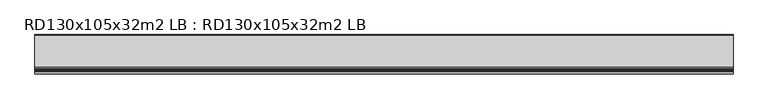
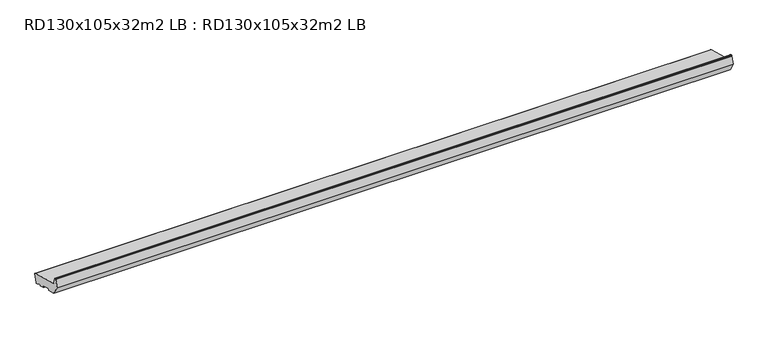
"""IFC4 building model written with IfcOpenShell, lengths in millimetres: proxy geometry, RD130x105x32m2 LB : RD130x105x32m2 LB."""

from ifc_helpers import new_model, si_unit, point, frame, frame_2d, origin, place, context, project, spatial, polyline, circle_curve, trimmed, segment, composite_curve, outline, extrude, source, transform, mapped, element, save


def rd130x105x32m2_lb_rd130x105x32m2_lb_2d42352c(model_context):
    return source(origin(), model_context, "Body", "SweptSolid", [
        extrude(outline(composite_curve([segment(trimmed(circle_curve(frame_2d((25.23738, 11.7764571)), 3.0), [point((28.1351575, 11.0))], [point((24.4609229, 8.8786797))], False, "CARTESIAN"), True, "CONTINUOUS"), segment(polyline([(24.4609229, 8.8786797), (21.7441453, 9.606638), (7.5759156, 18.1940842)]), True, "CONTINUOUS"), segment(trimmed(circle_curve(frame_2d((7.0575856, 17.3389035)), 1.0), [point((7.5759156, 18.1940842))], [point((6.0916598, 17.5977226))], True, "CARTESIAN"), True, "CONTINUOUS"), segment(polyline([(6.0916598, 17.5977226), (5.1424063, 14.0550606)]), True, "CONTINUOUS"), segment(trimmed(circle_curve(frame_2d((4.1764805, 14.3138796)), 1.0), [point((5.1424063, 14.0550606))], [point((3.9176615, 13.3479538))], False, "CARTESIAN"), True, "CONTINUOUS"), segment(polyline([(3.9176615, 13.3479538), (-13.4690034, 18.0066966)]), True, "CONTINUOUS"), segment(trimmed(circle_curve(frame_2d((-13.2101844, 18.9726224)), 1.0), [point((-13.4690034, 18.0066966))], [point((-14.1761102, 19.2314415))], False, "CARTESIAN"), True, "CONTINUOUS"), segment(polyline([(-14.1761102, 19.2314415), (-13.140834, 23.0951448)]), True, "CONTINUOUS"), segment(trimmed(circle_curve(frame_2d((-14.1067598, 23.3539638)), 1.0), [point((-13.140834, 23.0951448))], [point((-13.8479408, 24.3198896))], True, "CARTESIAN"), True, "CONTINUOUS"), segment(polyline([(-13.8479408, 24.3198896), (-41.8597898, 31.8256419)]), True, "CONTINUOUS"), segment(trimmed(circle_curve(frame_2d((-42.1186088, 30.8597161)), 1.0), [point((-41.8597898, 31.8256419))], [point((-43.0845346, 31.1185352))], True, "CARTESIAN"), True, "CONTINUOUS"), segment(polyline([(-43.0845346, 31.1185352), (-44.1198108, 27.2548319)]), True, "CONTINUOUS"), segment(trimmed(circle_curve(frame_2d((-45.0857366, 27.5136509)), 1.0), [point((-44.1198108, 27.2548319))], [point((-45.3445557, 26.5477251))], False, "CARTESIAN"), True, "CONTINUOUS"), segment(polyline([(-45.3445557, 26.5477251), (-74.3223305, 34.3122964), (-92.0, 64.9309182), (-85.4291321, 89.4537311)]), True, "CONTINUOUS"), segment(trimmed(circle_curve(frame_2d((-83.9802434, 89.0655025)), 1.5), [point((-85.4291321, 89.4537311))], [point((-83.9802434, 90.5655025))], False, "CARTESIAN"), True, "CONTINUOUS"), segment(polyline([(-83.9802434, 90.5655025), (-80.6368689, 90.5655025)]), True, "CONTINUOUS"), segment(trimmed(circle_curve(frame_2d((-80.6368689, 89.0655025)), 1.5), [point((-80.6368689, 90.5655025))], [point((-79.1879801, 89.4537311))], False, "CARTESIAN"), True, "CONTINUOUS"), segment(polyline([(-79.1879801, 89.4537311), (-74.4052841, 71.6044663)]), True, "CONTINUOUS"), segment(trimmed(circle_curve(frame_2d((-68.6097291, 73.1573805)), 6.0), [point((-74.4052841, 71.6044663))], [point((-70.1626434, 67.3618256))], True, "CARTESIAN"), True, "CONTINUOUS"), segment(polyline([(-70.1626434, 67.3618256), (32.7431323, 39.7883061)]), True, "CONTINUOUS"), segment(trimmed(circle_curve(frame_2d((31.9666752, 36.8905286)), 3.0), [point((32.7431323, 39.7883061))], [point((34.8644526, 36.1140715))], False, "CARTESIAN"), True, "CONTINUOUS"), segment(polyline([(34.8644526, 36.1140715), (28.1351575, 11.0)]), True, "CONTINUOUS")], self_intersect=False)), frame((0.0, 0.0, 0.0), z_axis=(1.0, 0.0, 0.0), x_axis=(0.0, 1.0, 0.0)), (0.0, 0.0, 1.0), 2240.0),
    ])


if __name__ == "__main__":
    model = new_model("IFC4")
    model_context = context("Model", 3, world=origin())
    ifc_project = project(units=[si_unit("LENGTHUNIT", "METRE", prefix="MILLI")], contexts=[model_context])
    site = spatial("IfcSite", under=ifc_project)
    building = spatial("IfcBuilding", under=site)
    placement = place(None, origin())
    rd130x105x32m2_lb_rd130x105x32m2_lb_shape = rd130x105x32m2_lb_rd130x105x32m2_lb_2d42352c(model_context)
    element("IfcBuildingElementProxy", 1, Name="RD130x105x32m2 LB : RD130x105x32m2 LB", ObjectType="RD130x105x32m2 LB : RD130x105x32m2 LB", at=placement, inside=building, context=model_context, shape_type="MappedRepresentation", body=[
        mapped(rd130x105x32m2_lb_rd130x105x32m2_lb_shape, transform((0.0, 0.0, 0.0), x_axis=(1.0, 0.0, 0.0), y_axis=(0.0, 1.0, 0.0), z_axis=(0.0, 0.0, 1.0))),
    ])
    save(model, "model.ifc")
